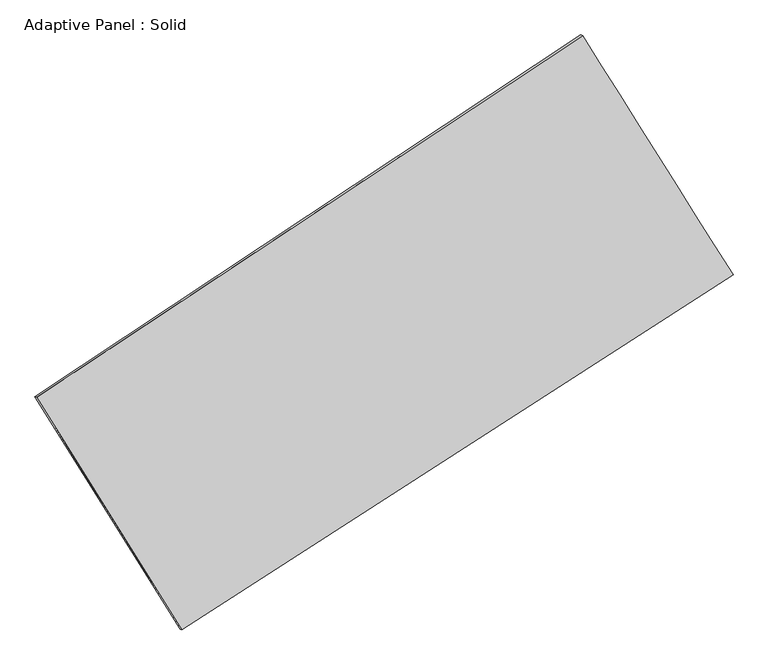
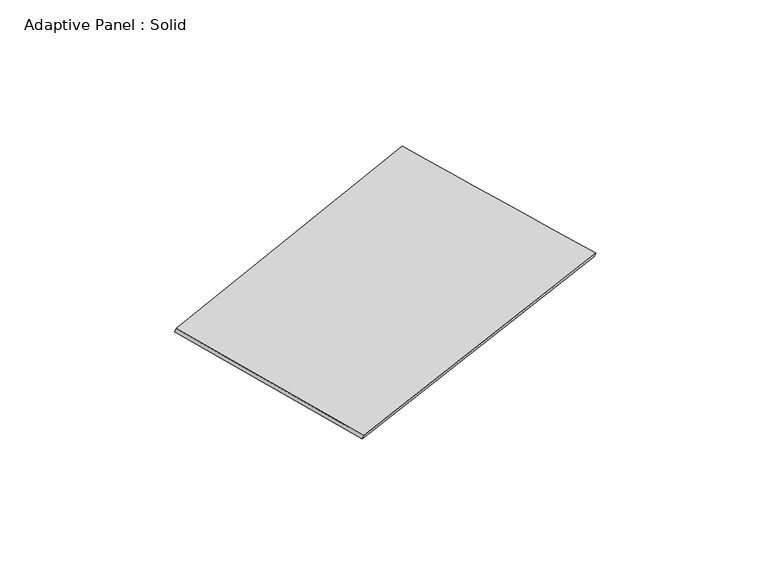
"""IFC4 building model written with IfcOpenShell, lengths in millimetres: plate geometry, Adaptive Panel : Solid."""

from ifc_helpers import new_model, si_unit, frame, origin, place, context, project, spatial, source, transform, mapped, element, save
from ifc_brep_helpers import plane_surface, spline_surface, advanced_brep


def adaptive_panel_solid_07c000f5(model_context):
    return source(origin(), model_context, "Body", "AdvancedBrep", [
        advanced_brep(
        [(1107.4129548, 2539.3978775, 671.9628151), (-3714.6979628, -656.1868924, 1755.6828178), (-3700.0316069, -662.5669858, 1803.0557258), (1122.0793107, 2533.017784, 719.3357231), (-2433.1328247, -2709.1040109, 1060.9507527), (-2418.4664688, -2715.4841044, 1108.3236607), (2437.1272545, 425.644453, -3.4738653), (2451.7936103, 419.2643596, 43.8990427)],
        [
            (0, 1),
            (1, 2),
            (2, 3),
            (3, 0),
            (1, 4),
            (4, 5),
            (5, 2),
            (4, 6),
            (6, 7),
            (7, 5),
            (6, 0),
            (3, 7),
        ],
        [
            plane_surface(frame((-1303.642504, 941.6054925, 1213.8228164), z_axis=(-0.49093892852835275, 0.8302899537441014, 0.2638134969387485), x_axis=(-0.8193222400760901, -0.5429600680540174, 0.18413427550424863))),
            plane_surface(frame((-3073.9153937, -1682.6454517, 1408.3167852), z_axis=(-0.8077426217265987, -0.5632042035594641, 0.17422078561179424), x_axis=(0.5089933821541673, -0.8153477309833081, -0.2759235664158333))),
            plane_surface(frame((1.9972149, -1141.729779, 528.7384437), z_axis=(0.4812850389836161, -0.8365951753122866, -0.2616738884465619), x_axis=(0.8270244785611026, 0.5323152504631148, -0.1807511714626705))),
            plane_surface(frame((1772.2701046, 1482.5211652, 334.2444749), z_axis=(0.8074920187262066, 0.5636040618093509, -0.17408934834009077), x_axis=(-0.5140085784071129, 0.8170833336834348, 0.2610938665320652))),
            spline_surface(1, 1, [[(-3700.0316069, -662.5669858, 1803.0557258), (1122.0793107, 2533.017784, 719.3357231)], [(-2418.4664688, -2715.4841044, 1108.3236607), (2451.7936103, 419.2643596, 43.8990427)]], [2, 2], [2, 2], [0.0, 1.0], [0.0, 1.0]),
            spline_surface(1, 1, [[(2437.1272545, 425.644453, -3.4738653), (1107.4129548, 2539.3978775, 671.9628151)], [(-2433.1328247, -2709.1040109, 1060.9507527), (-3714.6979628, -656.1868924, 1755.6828178)]], [2, 2], [2, 2], [0.0, 1.0], [0.0, 1.0]),
        ],
        [
            (0, [[1, 2, 3, 4]]),
            (1, [[5, 6, 7, -2]]),
            (2, [[8, 9, 10, -6]]),
            (3, [[11, -4, 12, -9]]),
            (4, [[-3, -7, -10, -12]]),
            (5, [[-11, -8, -5, -1]]),
        ],
    ),
    ])


if __name__ == "__main__":
    model = new_model("IFC4")
    model_context = context("Model", 3, world=origin())
    ifc_project = project(units=[si_unit("LENGTHUNIT", "METRE", prefix="MILLI")], contexts=[model_context])
    site = spatial("IfcSite", under=ifc_project)
    building = spatial("IfcBuilding", under=site)
    placement = place(None, origin())
    adaptive_panel_solid_shape = adaptive_panel_solid_07c000f5(model_context)
    element("IfcPlate", 1, ObjectType="Adaptive Panel : Solid", at=placement, inside=building, context=model_context, shape_type="MappedRepresentation", body=[
        mapped(adaptive_panel_solid_shape, transform((0.0, 0.0, 0.0), x_axis=(1.0, 0.0, 0.0), y_axis=(0.0, 1.0, 0.0), z_axis=(0.0, 0.0, 1.0))),
    ])
    save(model, "model.ifc")
